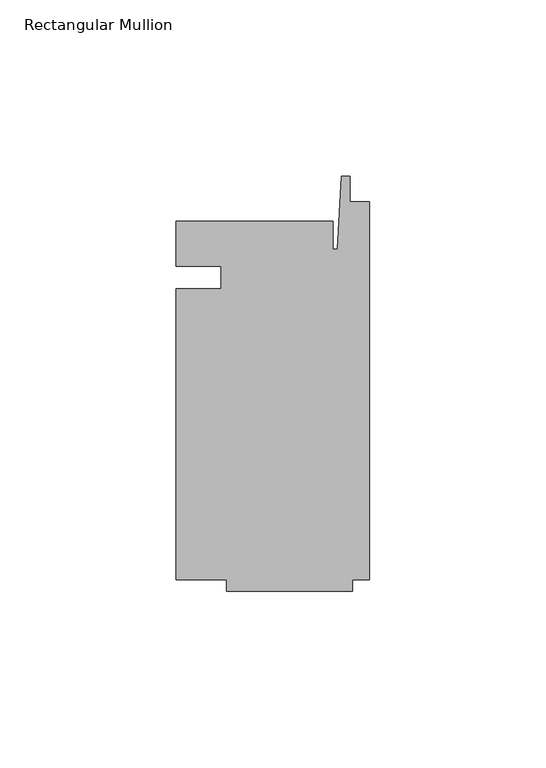
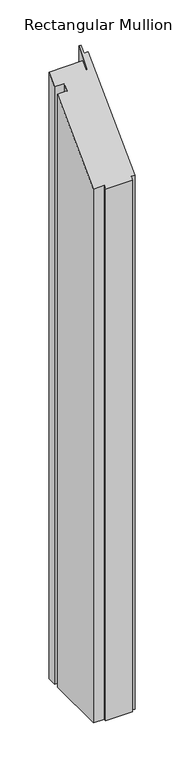
"""IFC4 building model written with IfcOpenShell, lengths in millimetres: member geometry, Rectangular Mullion."""

from ifc_helpers import new_model, si_unit, origin, place, context, project, spatial, faceted_brep, source, transform, mapped, element, save


def rectangular_mullion_2f92425b(model_context):
    return source(origin(), model_context, "Body", "Brep", [
        faceted_brep([(-42.06875, -3.175, -830.7916667), (-42.06875, 3.175, -830.7916667), (-54.76875, 3.175, -830.7916667), (-54.76875, 15.875, -830.7916667), (-10.31875, 15.875, -830.7916667), (-10.31875, 7.9375, -830.7916667), (-9.0190655, 7.9375, -830.7916667), (-7.9375, 28.575, -830.7916667), (-5.55625, 28.575, -830.7916667), (-5.55625, 21.43125, -830.7916667), (0.0, 21.43125, -830.7916667), (0.0, -85.725, -830.7916667), (-4.7625, -85.725, -830.7916667), (-4.7625, -88.9, -830.7916667), (-40.48125, -88.9, -830.7916667), (-40.48125, -85.725, -830.7916667), (-54.76875, -85.725, -830.7916667), (-54.76875, -3.175, -830.7916667), (-54.76875, -3.175, -3.175), (-42.06875, -3.175, -3.175), (-54.76875, -85.725, -85.725), (-40.48125, -85.725, -85.725), (-40.48125, -88.9, -88.9), (-4.7625, -88.9, -88.9), (-4.7625, -85.725, -85.725), (0.0, -85.725, -85.725), (0.0, 21.43125, 21.43125), (-5.55625, 21.43125, 21.43125), (-5.55625, 28.575, 28.575), (-7.9375, 28.575, 28.575), (-9.0190655, 7.9375, 7.9375), (-10.31875, 7.9375, 7.9375), (-10.31875, 15.875, 15.875), (-54.76875, 15.875, 15.875), (-54.76875, 3.175, 3.175), (-42.06875, 3.175, 3.175)], [[[0, 1, 2, 3, 4, 5, 6, 7, 8, 9, 10, 11, 12, 13, 14, 15, 16, 17]], [[18, 19, 0, 17]], [[20, 18, 17, 16]], [[21, 20, 16, 15]], [[22, 21, 15, 14]], [[23, 22, 14, 13]], [[24, 23, 13, 12]], [[25, 24, 12, 11]], [[26, 25, 11, 10]], [[27, 26, 10, 9]], [[28, 27, 9, 8]], [[29, 28, 8, 7]], [[30, 29, 7, 6]], [[31, 30, 6, 5]], [[32, 31, 5, 4]], [[33, 32, 4, 3]], [[34, 33, 3, 2]], [[35, 34, 2, 1]], [[19, 35, 1, 0]], [[19, 18, 20, 21, 22, 23, 24, 25, 26, 27, 28, 29, 30, 31, 32, 33, 34, 35]]]),
    ])


if __name__ == "__main__":
    model = new_model("IFC4")
    model_context = context("Model", 3, world=origin())
    ifc_project = project(units=[si_unit("LENGTHUNIT", "METRE", prefix="MILLI")], contexts=[model_context])
    site = spatial("IfcSite", under=ifc_project)
    building = spatial("IfcBuilding", under=site)
    placement = place(None, origin())
    rectangular_mullion_shape = rectangular_mullion_2f92425b(model_context)
    element("IfcMember", 1, ObjectType="Rectangular Mullion", at=placement, inside=building, context=model_context, shape_type="MappedRepresentation", body=[
        mapped(rectangular_mullion_shape, transform((0.0, 0.0, 0.0), x_axis=(1.0, 0.0, 0.0), y_axis=(0.0, 1.0, 0.0), z_axis=(0.0, 0.0, 1.0))),
    ])
    save(model, "model.ifc")
